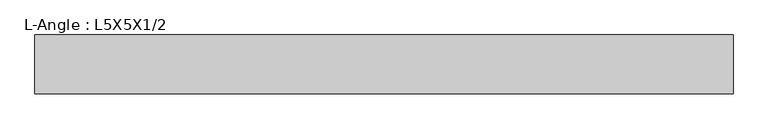
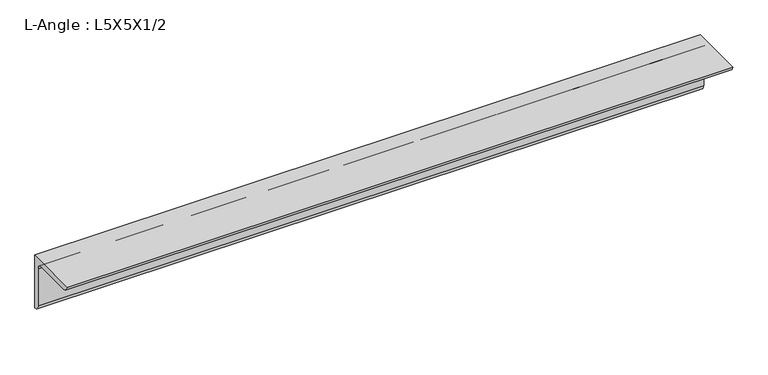
"""IFC4 building model written with IfcOpenShell, lengths in millimetres: beam geometry, L-Angle : L5X5X1/2."""

from ifc_helpers import new_model, si_unit, point, frame, frame_2d, origin, place, context, project, spatial, polyline, circle_curve, trimmed, segment, composite_curve, outline, extrude, source, transform, mapped, element, save


def l_angle_l5x5x1_2_aa573fc1(model_context):
    return source(origin(), model_context, "Body", "SweptSolid", [
        extrude(outline(composite_curve([segment(polyline([(36.068, 36.068), (36.068, -90.932)]), True, "CONTINUOUS"), segment(trimmed(circle_curve(frame_2d((36.068, -78.232)), 12.7), [point((36.068, -90.932))], [point((23.368, -78.232))], False, "CARTESIAN"), True, "CONTINUOUS"), segment(polyline([(23.368, -78.232), (23.368, 10.668)]), True, "CONTINUOUS"), segment(trimmed(circle_curve(frame_2d((10.668, 10.668)), 12.7), [point((23.368, 10.668))], [point((10.668, 23.368))], True, "CARTESIAN"), True, "CONTINUOUS"), segment(polyline([(10.668, 23.368), (-78.232, 23.368)]), True, "CONTINUOUS"), segment(trimmed(circle_curve(frame_2d((-78.232, 36.068)), 12.7), [point((-78.232, 23.368))], [point((-90.932, 36.068))], False, "CARTESIAN"), True, "CONTINUOUS"), segment(polyline([(-90.932, 36.068), (36.068, 36.068)]), True, "CONTINUOUS")], self_intersect=False)), frame((-777.0158813, 0.0, 0.0), z_axis=(1.0, 0.0, 0.0), x_axis=(0.0, 1.0, 0.0)), (0.0, 0.0, 1.0), 1511.0580809),
    ])


if __name__ == "__main__":
    model = new_model("IFC4")
    model_context = context("Model", 3, world=origin())
    ifc_project = project(units=[si_unit("LENGTHUNIT", "METRE", prefix="MILLI")], contexts=[model_context])
    site = spatial("IfcSite", under=ifc_project)
    building = spatial("IfcBuilding", under=site)
    placement = place(None, origin())
    l_angle_l5x5x1_2_shape = l_angle_l5x5x1_2_aa573fc1(model_context)
    element("IfcBeam", 1, ObjectType="L-Angle : L5X5X1/2", at=placement, inside=building, context=model_context, shape_type="MappedRepresentation", body=[
        mapped(l_angle_l5x5x1_2_shape, transform((0.0, 0.0, 0.0), x_axis=(1.0, 0.0, 0.0), y_axis=(0.0, 1.0, 0.0), z_axis=(0.0, 0.0, 1.0))),
    ])
    save(model, "model.ifc")
